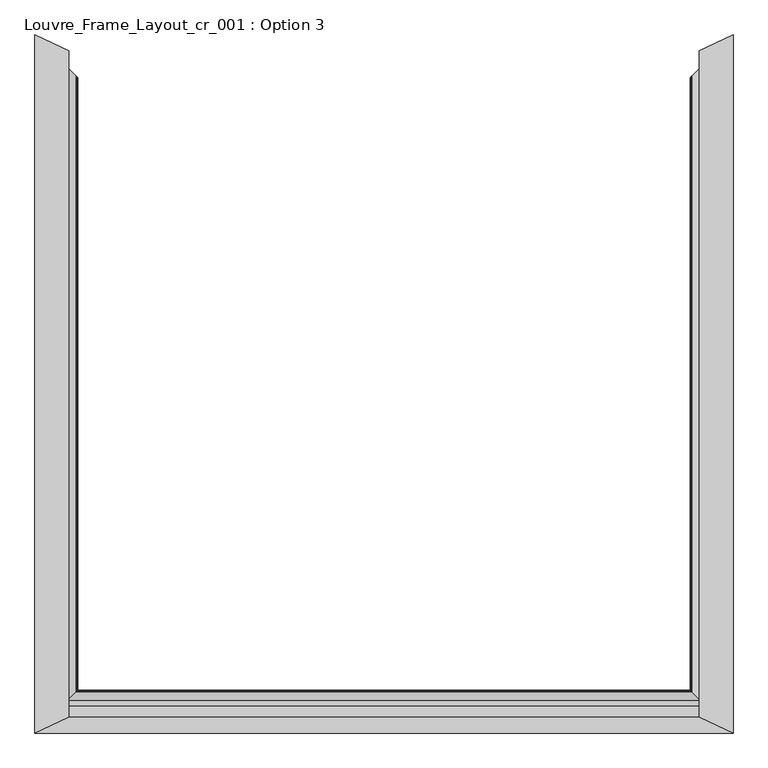
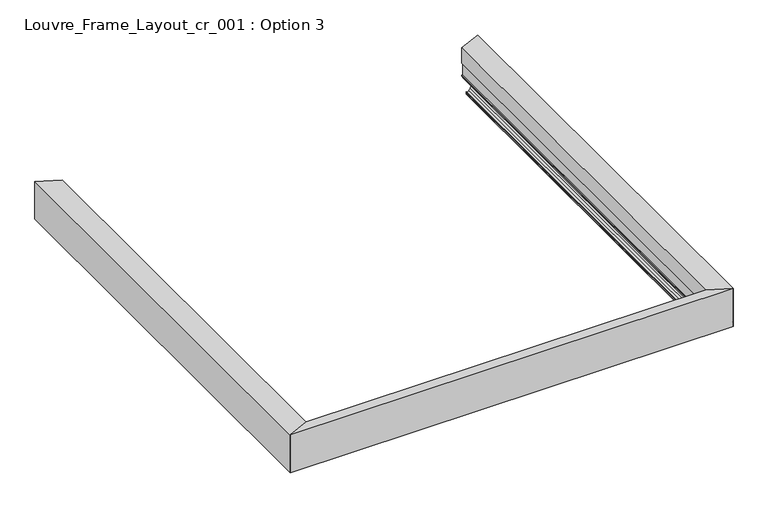
"""IFC4 building model written with IfcOpenShell, lengths in millimetres: proxy geometry, Louvre_Frame_Layout_cr_001 : Option 3."""

import ifcopenshell
import ifcopenshell.guid

model = None  # the IFC model being written
_history = None  # IfcOwnerHistory: only IFC2X3 demands one
_inside = {}  # id of a spatial element -> (the spatial element, [elements in it])
_under = {}  # id of a project, library or spatial element -> (it, [spatial elements below it])
_declared = {}  # id of a project -> (the project, [libraries it declares])
_typed = {}  # id of a type object -> (the type object, [elements of that type])
_made_of = {}  # id of a material, layer set ... -> (it, [elements and type objects made of it])


def new_model(schema):
    """Start an empty IFC model of exactly this schema.

    Asked for "IFC4X3", IfcOpenShell would pick the latest addendum, in which some entities
    have other attributes; the version numbers below select the first issue.
    IFC2X3 requires an IfcOwnerHistory on every rooted entity: one is made here for all.
    """
    global model, _history
    if schema == "IFC4X3":
        model = ifcopenshell.file(schema_version=(4, 3, 0, 0))
    else:
        model = ifcopenshell.file(schema=schema)
    _inside.clear()
    _under.clear()
    _declared.clear()
    _typed.clear()
    _made_of.clear()
    _history = None
    if model.schema == "IFC2X3":
        org = make("IfcOrganization", Name="unknown")
        user = make(
            "IfcPersonAndOrganization",
            ThePerson=make("IfcPerson", FamilyName="unknown"),
            TheOrganization=org,
        )
        app = make(
            "IfcApplication",
            ApplicationDeveloper=org,
            Version="unknown",
            ApplicationFullName="unknown",
            ApplicationIdentifier="unknown",
        )
        _history = make(
            "IfcOwnerHistory",
            OwningUser=user,
            OwningApplication=app,
            ChangeAction="ADDED",
            CreationDate=0,
        )
    return model


def make(cls, **values):
    """One entity of the class cls with the attributes given. An attribute that is None is left unset."""
    return model.create_entity(
        cls, **{name: value for name, value in values.items() if value is not None}
    )


def rooted(cls, **values):
    """An entity with a GlobalId (a new one), such as an element, a storey or a relation."""
    return make(cls, GlobalId=ifcopenshell.guid.new(), OwnerHistory=_history, **values)


def si_unit(unit_type, name, prefix=None):
    """IfcSIUnit, for example si_unit("LENGTHUNIT", "METRE", prefix="MILLI")."""
    return make("IfcSIUnit", UnitType=unit_type, Prefix=prefix, Name=name)


def assignment(units):
    """IfcUnitAssignment: the units of a project."""
    return None if units is None else make("IfcUnitAssignment", Units=units)


def point(xyz):
    """IfcCartesianPoint."""
    return None if xyz is None else make("IfcCartesianPoint", Coordinates=xyz)


def direction(xyz):
    """IfcDirection."""
    return None if xyz is None else make("IfcDirection", DirectionRatios=xyz)


def frame(location, z_axis=None, x_axis=None):
    """IfcAxis2Placement3D, a coordinate frame: its origin and axes. An axis left out is left unset."""
    return make(
        "IfcAxis2Placement3D",
        Location=point(location),
        Axis=direction(z_axis),
        RefDirection=direction(x_axis),
    )


def origin():
    """The frame at (0, 0, 0) with its axes left unset."""
    return frame((0.0, 0.0, 0.0))


def place(relative_to, where):
    """IfcLocalPlacement: puts the frame where relative to a parent placement (None: the world)."""
    return make(
        "IfcLocalPlacement", PlacementRelTo=relative_to, RelativePlacement=where
    )


def context(
    kind, dimensions, precision=None, world=None, true_north=None, identifier=None
):
    """IfcGeometricRepresentationContext, for example the 3D "Model" context."""
    return make(
        "IfcGeometricRepresentationContext",
        ContextIdentifier=identifier,
        ContextType=kind,
        CoordinateSpaceDimension=dimensions,
        Precision=precision,
        WorldCoordinateSystem=world,
        TrueNorth=true_north,
    )


def project(units=None, contexts=None):
    """IfcProject with its units and contexts."""
    return rooted(
        "IfcProject",
        Name="project",
        RepresentationContexts=contexts,
        UnitsInContext=assignment(units),
    )


def spatial(cls, under=None, at=None, **own):
    """A site, building, storey or space (cls), placed at a placement, below another one or the project."""
    s = rooted(cls, ObjectPlacement=at, **own)
    if under is not None:
        _under.setdefault(under.id(), (under, []))[1].append(s)
    return s


def polyline(points):
    """IfcPolyline through the points."""
    return make("IfcPolyline", Points=[point(p) for p in points])


def ellipse_curve(where, semi_axis1, semi_axis2):
    """IfcEllipse in the frame where."""
    return make(
        "IfcEllipse", Position=where, SemiAxis1=semi_axis1, SemiAxis2=semi_axis2
    )


def shape(context_of_items, identifier, shape_type, items):
    """IfcShapeRepresentation: the items that make up one representation, for example the "Body"."""
    return make(
        "IfcShapeRepresentation",
        ContextOfItems=context_of_items,
        RepresentationIdentifier=identifier,
        RepresentationType=shape_type,
        Items=items,
    )


def source(mapping_origin, context_of_items, identifier, shape_type, items):
    """IfcRepresentationMap: a shape defined once, which mapped items show again and again."""
    return make(
        "IfcRepresentationMap",
        MappingOrigin=mapping_origin,
        MappedRepresentation=shape(context_of_items, identifier, shape_type, items),
    )


def transform(
    local_origin,
    x_axis=None,
    y_axis=None,
    z_axis=None,
    scale=None,
    scale2=None,
    scale3=None,
    uniform=True,
):
    """IfcCartesianTransformationOperator3D, or its non-uniform kind. x_axis, y_axis, z_axis: its Axis1, 2, 3."""
    if uniform:
        return make(
            "IfcCartesianTransformationOperator3D",
            Axis1=direction(x_axis),
            Axis2=direction(y_axis),
            LocalOrigin=point(local_origin),
            Scale=scale,
            Axis3=direction(z_axis),
        )
    return make(
        "IfcCartesianTransformationOperator3DnonUniform",
        Axis1=direction(x_axis),
        Axis2=direction(y_axis),
        LocalOrigin=point(local_origin),
        Scale=scale,
        Axis3=direction(z_axis),
        Scale2=scale2,
        Scale3=scale3,
    )


def mapped(mapping_source, mapping_target):
    """IfcMappedItem: shows the shape of a source again, moved by a transform."""
    return make(
        "IfcMappedItem", MappingSource=mapping_source, MappingTarget=mapping_target
    )


def made_of(thing, what):
    """Note that an element or type object is made of a material, layer set ...; save() writes the relation."""
    if what is not None:
        _made_of.setdefault(what.id(), (what, []))[1].append(thing)
    return thing


def element(
    cls,
    number,
    at=None,
    inside=None,
    cuts=None,
    type_object=None,
    material=None,
    context=None,
    identifier="Body",
    shape_type=None,
    held_by="IfcProductDefinitionShape",
    body=None,
    shapes=None,
    **own,
):
    """One element of the class cls, such as IfcWall. Its Tag is "e" and its number.

    at: its placement. inside: the storey or other place that contains it. cuts: it is an
    opening in that element (IfcRelVoidsElement). A single representation is given by context,
    identifier, shape_type and body (its items); several are given by shapes. held_by: the class
    of the entity that holds the representations. save() writes the other relations.
    """
    e = rooted(cls, Tag="e%d" % number, ObjectPlacement=at, **own)
    if body is not None:
        shapes = [shape(context, identifier, shape_type, body)]
    if shapes is not None:
        e.Representation = make(held_by, Representations=shapes)
    if inside is not None:
        _inside.setdefault(inside.id(), (inside, []))[1].append(e)
    if cuts is not None:
        rooted(
            "IfcRelVoidsElement", RelatingBuildingElement=cuts, RelatedOpeningElement=e
        )
    if type_object is not None:
        _typed.setdefault(type_object.id(), (type_object, []))[1].append(e)
    return made_of(e, material)


def aggregate(whole, parts):
    """IfcRelAggregates: a whole, such as a stair, and the parts it consists of."""
    return rooted("IfcRelAggregates", RelatingObject=whole, RelatedObjects=parts)


def save(model, path):
    """Write the relations noted so far, then the file.

    IfcRelAggregates (storeys below a building ...), IfcRelContainedInSpatialStructure (elements
    in a storey), IfcRelDefinesByType, IfcRelAssociatesMaterial and IfcRelDeclares: one each for
    every whole, place, type object, material and project.
    """
    for whole, parts in _under.values():
        aggregate(whole, parts)
    for where, things in _inside.values():
        rooted(
            "IfcRelContainedInSpatialStructure",
            RelatedElements=things,
            RelatingStructure=where,
        )
    for kind, things in _typed.values():
        rooted("IfcRelDefinesByType", RelatedObjects=things, RelatingType=kind)
    for what, things in _made_of.values():
        rooted("IfcRelAssociatesMaterial", RelatedObjects=things, RelatingMaterial=what)
    for by, libraries in _declared.values():
        rooted("IfcRelDeclares", RelatingContext=by, RelatedDefinitions=libraries)
    model.write(path)


def plane_surface(at):
    """IfcPlane: the flat surface through the origin of the frame at, square to its z axis."""
    return make("IfcPlane", Position=at)


def cylinder_surface(at, radius):
    """IfcCylindricalSurface: all points at the distance radius from the z axis of the frame at."""
    return make("IfcCylindricalSurface", Position=at, Radius=radius)


def revolved_surface(curve, axis_point, axis_direction):
    """IfcSurfaceOfRevolution: the curve turned about the line through axis_point along axis_direction."""
    return make(
        "IfcSurfaceOfRevolution",
        SweptCurve=make("IfcArbitraryOpenProfileDef", ProfileType="CURVE", Curve=curve),
        AxisPosition=make("IfcAxis1Placement", Location=point(axis_point), Axis=direction(axis_direction)),
    )


def advanced_brep(points, edges, surfaces, faces):
    """IfcAdvancedBrep: a solid bounded by faces that lie on surfaces and meet in shared edges.

    An edge is (start, end): straight between two places in points (the first is 0);
    or (start, end, curve); or (start, end, curve, False) where it runs against its curve.
    A face is (place in surfaces, loops), or (place, loops, False) where it looks against
    its surface's normal. A loop lists edges by number (the first is 1), with a minus sign
    where the edge is run from its end to its start. The first loop is the outer one.
    """
    corners = [point(p) for p in points]
    vertices = [make("IfcVertexPoint", VertexGeometry=c) for c in corners]
    made = []
    for start, end, *more in edges:
        made.append(
            make(
                "IfcEdgeCurve",
                EdgeStart=vertices[start],
                EdgeEnd=vertices[end],
                EdgeGeometry=more[0] if more else make("IfcPolyline", Points=[corners[start], corners[end]]),
                SameSense=more[1] if len(more) > 1 else True,
            )
        )
    hull = []
    for where, loops, *sense in faces:
        bounds = []
        for j, loop in enumerate(loops):
            ring = [make("IfcOrientedEdge", EdgeElement=made[abs(k) - 1], Orientation=k > 0) for k in loop]
            bounds.append(
                make(
                    "IfcFaceOuterBound" if j == 0 else "IfcFaceBound",
                    Bound=make("IfcEdgeLoop", EdgeList=ring),
                    Orientation=True,
                )
            )
        hull.append(make("IfcAdvancedFace", Bounds=bounds, FaceSurface=surfaces[where], SameSense=sense[0] if sense else True))
    return make("IfcAdvancedBrep", Outer=make("IfcClosedShell", CfsFaces=hull))


def louvre_frame_layout_cr_001_option_3_b5c56db8(model_context):
    return source(origin(), model_context, "Body", "AdvancedBrep", [
        advanced_brep(
        [(3500.0, -1860.0, 40.0285881), (3354.7049082, -1714.7471297, 40.0285881), (3357.499356, -1717.5407655, 38.8575344), (3435.6421077, -1795.6608096, 38.8575344), (3437.2798539, -1797.2980799, 37.2197882), (3437.2798539, -1797.2980799, 30.0771301), (3448.0054103, -1808.0205195, 30.0771301), (3448.0054103, -1808.0205195, 7.0067374), (3443.0005687, -1803.0171323, 2.0018958), (3364.8199959, -1724.8592781, 2.0018958), (3336.794989, -1696.842415, 7.4266447), (3291.7291256, -1651.7896474, 25.5580129), (3291.7291256, -1651.7896474, 39.3616238), (3291.0621612, -1651.1228768, 40.0285881), (3285.4888339, -1645.5511691, 40.0285881), (3284.8218695, -1644.8843985, 39.3616238), (3284.8218695, -1644.8843985, 26.5150991), (3285.3886853, -1645.4510496, 25.9589183), (3349.8942843, -1709.9379038, 0.0), (3500.0, -1860.0, 0.0), (3500.0, -1860.0, 36.793065), (3354.7049082, 1494.7471297, 40.0285881), (3500.0, 1640.0, 40.0285881), (3500.0, 1640.0, 36.793065), (3500.0, 1640.0, 0.0), (3349.8942843, 1489.9379038, 0.0), (3285.3886853, 1425.4510496, 25.9589183), (3284.8218695, 1424.8843985, 26.5150991), (3284.8218695, 1424.8843985, 39.3616238), (3285.4888339, 1425.5511691, 40.0285881), (3291.0621612, 1431.1228768, 40.0285881), (3291.7291256, 1431.7896474, 39.3616238), (3291.7291256, 1431.7896474, 25.5580129), (3336.794989, 1476.842415, 7.4266447), (3364.8199959, 1504.8592781, 2.0018958), (3443.0005687, 1583.0171323, 2.0018958), (3448.0054103, 1588.0205195, 7.0067374), (3448.0054103, 1588.0205195, 30.0771301), (3437.2798539, 1577.2980799, 30.0771301), (3437.2798539, 1577.2980799, 37.2197882), (3435.6421077, 1575.6608096, 38.8575344), (3357.499356, 1497.5407655, 38.8575344), (3330.2950263, 1560.0512704, 186.2985422), (3330.2950263, 1560.0512704, 315.1230176), (3500.0, 1640.0, 315.1230176), (3354.7049082, 1571.5508688, 40.0285881), (3352.0673551, 1570.3083064, 42.7736155), (3330.3018549, 1560.0544873, 79.2796958), (3330.3018549, 1560.0544873, 88.3970766), (3336.7193678, 1563.0778048, 88.3970766), (3336.7193678, 1563.0778048, 186.2985422), (3354.7049082, -1791.5508688, 40.0285881), (3330.2950263, -1780.0512704, 186.2985422), (3330.2950263, -1780.0512704, 315.1230176), (3336.7193678, -1783.0778048, 186.2985422), (3336.7193678, -1783.0778048, 88.3970766), (3330.3018549, -1780.0544873, 88.3970766), (3330.3018549, -1780.0544873, 79.2796958), (3352.0673551, -1790.3083064, 42.7736155), (3500.0, -1860.0, 315.1230176)],
        [
            (0, 1),
            (1, 2, ellipse_curve(frame((3359.3065931, -1719.3474774, 47.0897633), z_axis=(-0.70700401906678, -0.7072095283743144, 0.0), x_axis=(0.7072095283743143, -0.70700401906678, 0.0)), 11.917639, 8.4282679)),
            (2, 3),
            (3, 4, ellipse_curve(frame((3435.6421077, -1795.6608096, 37.2197882), z_axis=(0.70700401906678, 0.7072095283743144, 0.0), x_axis=(-0.7072095283743143, 0.70700401906678, 0.0)), 2.3157864, 1.6377462)),
            (4, 5),
            (5, 6),
            (6, 7),
            (7, 8, ellipse_curve(frame((3443.0005687, -1803.0171323, 7.0067374), z_axis=(0.70700401906678, 0.7072095283743144, 0.0), x_axis=(-0.7072095283743143, 0.70700401906678, 0.0)), 7.0768866, 5.0048416)),
            (8, 9),
            (9, 10, ellipse_curve(frame((3364.8119854, -1724.85127, 77.0634267), z_axis=(0.70700401906678, 0.7072095283743144, 0.0), x_axis=(-0.7072095283743143, 0.70700401906678, 0.0)), 106.1376132, 75.0615314)),
            (10, 11),
            (11, 12),
            (12, 13, ellipse_curve(frame((3291.0621612, -1651.1228768, 39.3616238), z_axis=(-0.70700401906678, -0.7072095283743144, 0.0), x_axis=(0.7072095283743143, -0.70700401906678, 0.0)), 0.943093, 0.6669644)),
            (13, 14),
            (14, 15, ellipse_curve(frame((3285.4888339, -1645.5511691, 39.3616238), z_axis=(-0.70700401906678, -0.7072095283743144, 0.0), x_axis=(0.7072095283743143, -0.70700401906678, 0.0)), 0.943093, 0.6669644)),
            (15, 16),
            (16, 17, ellipse_curve(frame((3285.7754513, -1645.8377032, 26.9199973), z_axis=(-0.70700401906678, -0.7072095283743144, 0.0), x_axis=(0.7072095283743143, -0.70700401906678, 0.0)), 1.4648884, 1.035983)),
            (17, 18),
            (18, 19),
            (19, 20),
            (20, 0),
            (21, 22),
            (22, 23),
            (23, 24),
            (24, 25),
            (25, 26),
            (26, 27, ellipse_curve(frame((3285.7754513, 1425.8377032, 26.9199973), z_axis=(-0.7070040190647345, 0.7072095283763594, 0.0), x_axis=(-0.7072095283763595, -0.7070040190647343, 0.0)), 1.4648884, 1.035983)),
            (27, 28),
            (28, 29, ellipse_curve(frame((3285.4888339, 1425.5511691, 39.3616238), z_axis=(-0.7070040190647345, 0.7072095283763594, 0.0), x_axis=(-0.7072095283763595, -0.7070040190647343, 0.0)), 0.943093, 0.6669644)),
            (29, 30),
            (30, 31, ellipse_curve(frame((3291.0621612, 1431.1228768, 39.3616238), z_axis=(-0.7070040190647345, 0.7072095283763594, 0.0), x_axis=(-0.7072095283763595, -0.7070040190647343, 0.0)), 0.943093, 0.6669644)),
            (31, 32),
            (32, 33),
            (33, 34, ellipse_curve(frame((3364.8119854, 1504.85127, 77.0634267), z_axis=(0.7070040190647345, -0.7072095283763594, 0.0), x_axis=(0.7072095283763595, 0.7070040190647343, 0.0)), 106.1376132, 75.0615314)),
            (34, 35),
            (35, 36, ellipse_curve(frame((3443.0005687, 1583.0171323, 7.0067374), z_axis=(0.7070040190647345, -0.7072095283763594, 0.0), x_axis=(0.7072095283763595, 0.7070040190647343, 0.0)), 7.0768866, 5.0048416)),
            (36, 37),
            (37, 38),
            (38, 39),
            (39, 40, ellipse_curve(frame((3435.6421077, 1575.6608096, 37.2197882), z_axis=(0.7070040190647345, -0.7072095283763594, 0.0), x_axis=(0.7072095283763595, 0.7070040190647343, 0.0)), 2.3157864, 1.6377462)),
            (40, 41),
            (41, 21, ellipse_curve(frame((3359.3065931, 1499.3474775, 47.0897633), z_axis=(-0.7070040190647345, 0.7072095283763594, 0.0), x_axis=(-0.7072095283763595, -0.7070040190647343, 0.0)), 11.917639, 8.4282679)),
            (42, 43),
            (43, 44),
            (44, 22),
            (22, 45),
            (45, 46, ellipse_curve(frame((3359.3065931, 1573.718742, 47.0897633), z_axis=(-0.4261791510910806, 0.9046387849165467, 0.0), x_axis=(-0.9046387849165468, -0.42617915109108023, 0.0)), 9.3167218, 8.4282679)),
            (46, 47),
            (47, 48),
            (48, 49),
            (49, 50),
            (50, 42),
            (0, 51),
            (51, 1),
            (21, 45),
            (42, 52),
            (52, 53),
            (53, 43),
            (50, 54),
            (54, 52),
            (49, 55),
            (55, 54),
            (48, 56),
            (56, 55),
            (47, 57),
            (57, 56),
            (46, 58),
            (58, 57),
            (51, 58, ellipse_curve(frame((3359.3065931, -1793.718742, 47.0897633), z_axis=(0.42617915109110965, 0.9046387849165329, 0.0), x_axis=(0.9046387849165329, -0.4261791510911096, 0.0)), 9.3167218, 8.4282679)),
            (41, 2),
            (40, 3),
            (39, 4),
            (38, 5),
            (37, 6),
            (36, 7),
            (35, 8),
            (34, 9),
            (33, 10),
            (32, 11),
            (31, 12),
            (30, 13),
            (29, 14),
            (28, 15),
            (27, 16),
            (26, 17),
            (25, 18),
            (24, 19),
            (44, 59),
            (59, 0),
            (53, 59),
        ],
        [
            plane_surface(frame((3500.0, -1860.0, 40.0285881), z_axis=(-0.70700401906678, -0.7072095283743144, 0.0), x_axis=(0.0, 0.0, -1.0))),
            plane_surface(frame((3241.9060249, 1381.9810249, 40.0285881), z_axis=(-0.7070040190647345, 0.7072095283763594, 0.0), x_axis=(0.0, 0.0, -1.0))),
            plane_surface(frame((3330.2950263, 1560.0512704, 355.5911694), z_axis=(-0.4261791510910806, 0.9046387849165467, 0.0), x_axis=(0.0, 0.0, -1.0))),
            plane_surface(frame((3241.9060249, -1601.9810249, 40.0285881), z_axis=(0.0, 0.0, -1.0), x_axis=(0.0, -1.0, 0.0))),
            plane_surface(frame((3500.0, 1640.0, 40.0285881), z_axis=(0.0, 0.0, -1.0000000000000002), x_axis=(0.7072095283763594, 0.7070040190647345, 0.0))),
            plane_surface(frame((3330.2950263, -1860.0, 315.1230176), z_axis=(-1.0, 0.0, 0.0), x_axis=(0.0, 1.0, 0.0))),
            plane_surface(frame((3330.2950263, -1860.0, 186.2985422), z_axis=(0.0, 0.0, -1.0), x_axis=(0.0, 1.0, 0.0))),
            plane_surface(frame((3336.7193678, -1860.0, 186.2985422), z_axis=(-1.0, 0.0, 0.0), x_axis=(0.0, 1.0, 0.0))),
            plane_surface(frame((3336.7193678, -1860.0, 88.3970766), z_axis=(0.0, 0.0, 1.0), x_axis=(0.0, 1.0, 0.0))),
            plane_surface(frame((3330.3018549, -1860.0, 88.3970766), z_axis=(-1.0, 0.0, 0.0), x_axis=(0.0, 1.0, 0.0))),
            plane_surface(frame((3330.3018549, -1860.0, 79.2796958), z_axis=(-0.8589235852565517, 0.0, -0.5121037733604697), x_axis=(0.0, 1.0, 0.0))),
            cylinder_surface(frame((3359.3065931, -1860.0, 47.0897633), z_axis=(0.0, -1.0, 0.0), x_axis=(-1.0, 0.0, 0.0)), 8.4282679),
            plane_surface(frame((3357.499356, -1860.0, 38.8575344), z_axis=(0.0, 0.0, -1.0), x_axis=(0.0, 1.0, 0.0))),
            revolved_surface(polyline([(3434.0043615, 1577.2980798999997, 37.2197882), (3434.0043615, -1797.2980799, 37.2197882)]), (3435.6421077, -1860.0, 37.2197882), (0.0, 1.0, 0.0)),
            plane_surface(frame((3437.2798539, -1860.0, 37.2197882), z_axis=(-1.0, 0.0, 0.0), x_axis=(0.0, 1.0, 0.0))),
            plane_surface(frame((3437.2798539, -1860.0, 30.0771301), z_axis=(0.0, 0.0, -1.0), x_axis=(0.0, 1.0, 0.0))),
            plane_surface(frame((3448.0054103, -1860.0, 30.0771301), z_axis=(-1.0, 0.0, 0.0), x_axis=(0.0, 1.0, 0.0))),
            revolved_surface(polyline([(3437.9957271, 1588.0205195686653, 7.0067374), (3437.9957271, -1808.02051956868, 7.0067374)]), (3443.0005687, -1860.0, 7.0067374), (0.0, 1.0, 0.0)),
            plane_surface(frame((3443.0005687, -1860.0, 2.0018958), z_axis=(0.0, 0.0, 1.0), x_axis=(0.0, 1.0, 0.0))),
            revolved_surface(polyline([(3289.750454, 1579.890989106338, 77.0634267), (3289.750454, -1799.8909891065555, 77.0634267)]), (3364.8119854, -1860.0, 77.0634267), (0.0, 1.0, 0.0)),
            plane_surface(frame((3336.794989, -1860.0, 7.4266447), z_axis=(0.37325372835204107, 0.0, 0.9277293001039154), x_axis=(0.0, 1.0, 0.0))),
            plane_surface(frame((3291.7291256, -1860.0, 25.5580129), z_axis=(1.0, 0.0, 0.0), x_axis=(0.0, 1.0, 0.0))),
            cylinder_surface(frame((3291.0621612, -1860.0, 39.3616238), z_axis=(0.0, -1.0, 0.0), x_axis=(-1.0, 0.0, 0.0)), 0.6669644),
            plane_surface(frame((3291.0621612, -1860.0, 40.0285881), z_axis=(0.0, 0.0, 1.0), x_axis=(0.0, 1.0, 0.0))),
            cylinder_surface(frame((3285.4888339, -1860.0, 39.3616238), z_axis=(0.0, -1.0, 0.0), x_axis=(1.0, 0.0, 0.0)), 0.6669644),
            plane_surface(frame((3284.8218695, -1860.0, 39.3616238), z_axis=(-1.0, 0.0, 0.0), x_axis=(0.0, 1.0, 0.0))),
            cylinder_surface(frame((3285.7754513, -1860.0, 26.9199973), z_axis=(0.0, -1.0, 0.0), x_axis=(-1.0, 0.0, 0.0)), 1.035983),
            plane_surface(frame((3285.3886853, -1860.0, 25.9589183), z_axis=(-0.3733323631651337, 0.0, -0.9276976590536039), x_axis=(0.0, 1.0, 0.0))),
            plane_surface(frame((3349.8942843, -1860.0, 0.0), z_axis=(0.0, 0.0, -1.0), x_axis=(0.0, 1.0, 0.0))),
            plane_surface(frame((3500.0, -1860.0, 0.0), z_axis=(1.0, 0.0, 0.0), x_axis=(0.0, 1.0, 0.0))),
            plane_surface(frame((3500.0, -1860.0, 315.1230176), z_axis=(0.0, 0.0, 1.0), x_axis=(0.0, 1.0, 0.0))),
            plane_surface(frame((3500.0, -1860.0, 355.5911694), z_axis=(-0.42617915109110965, -0.9046387849165329, 0.0), x_axis=(0.0, 0.0, -1.0))),
        ],
        [
            (0, [[1, 2, 3, 4, 5, 6, 7, 8, 9, 10, 11, 12, 13, 14, 15, 16, 17, 18, 19, 20, 21]]),
            (1, [[22, 23, 24, 25, 26, 27, 28, 29, 30, 31, 32, 33, 34, 35, 36, 37, 38, 39, 40, 41, 42]]),
            (2, [[43, 44, 45, 46, 47, 48, 49, 50, 51, 52]]),
            (3, [[-1, 53, 54]]),
            (4, [[-22, 55, -46]]),
            (5, [[-43, 56, 57, 58]]),
            (6, [[-52, 59, 60, -56]]),
            (7, [[-51, 61, 62, -59]]),
            (8, [[-50, 63, 64, -61]]),
            (9, [[-49, 65, 66, -63]]),
            (10, [[-48, 67, 68, -65]]),
            (11, [[-2, -54, 69, -67, -47, -55, -42, 70]]),
            (12, [[-3, -70, -41, 71]]),
            (13, [[-4, -71, -40, 72]]),
            (14, [[-5, -72, -39, 73]]),
            (15, [[-6, -73, -38, 74]]),
            (16, [[-7, -74, -37, 75]]),
            (17, [[-8, -75, -36, 76]]),
            (18, [[-9, -76, -35, 77]]),
            (19, [[-10, -77, -34, 78]]),
            (20, [[-11, -78, -33, 79]]),
            (21, [[-12, -79, -32, 80]]),
            (22, [[-13, -80, -31, 81]]),
            (23, [[-14, -81, -30, 82]]),
            (24, [[-15, -82, -29, 83]]),
            (25, [[-16, -83, -28, 84]]),
            (26, [[-17, -84, -27, 85]]),
            (27, [[-18, -85, -26, 86]]),
            (28, [[87, -19, -86, -25]]),
            (29, [[-87, -24, -23, -45, 88, 89, -21, -20]]),
            (30, [[-88, -44, -58, 90]]),
            (31, [[-57, -60, -62, -64, -66, -68, -69, -53, -89, -90]]),
        ],
    ),
        advanced_brep(
        [(57.3003291, -1802.6996709, 38.7959832), (55.2974109, -1804.7025891, 36.793065), (52.5783381, -1807.4216619, 36.793065), (51.9945897, -1808.0054103, 36.2093165), (51.9945897, -1808.0054103, 7.0067374), (56.9994313, -1803.0005687, 2.0018958), (135.1800041, -1724.8199959, 2.0018958), (163.205011, -1696.794989, 7.4266447), (208.2708744, -1651.7291256, 25.5580129), (208.2708744, -1651.7291256, 39.3616238), (208.9378388, -1651.0621612, 40.0285881), (214.5111661, -1645.4888339, 40.0285881), (215.1781305, -1644.8218695, 39.3616238), (215.1781305, -1644.8218695, 26.1870213), (150.1057157, -1709.8942843, 0.0), (0.0, -1860.0, 0.0), (0.0, -1860.0, 38.8575344), (3444.7025891, -1804.7025891, 36.793065), (3442.6996709, -1802.6996709, 38.7959832), (3500.0, -1860.0, 38.8575344), (3500.0, -1860.0, 0.0), (3349.8942843, -1709.8942843, 0.0), (3284.8218695, -1644.8218695, 26.1870213), (3284.8218695, -1644.8218695, 39.3616238), (3285.4888339, -1645.4888339, 40.0285881), (3291.0621612, -1651.0621612, 40.0285881), (3291.7291256, -1651.7291256, 39.3616238), (3291.7291256, -1651.7291256, 25.5580129), (3336.794989, -1696.794989, 7.4266447), (3364.8199959, -1724.8199959, 2.0018958), (3443.0005687, -1803.0005687, 2.0018958), (3448.0054103, -1808.0054103, 7.0067374), (3448.0054103, -1808.0054103, 36.2093165), (3447.4216619, -1807.4216619, 36.793065), (3330.2950263, -1780.0512704, 316.6276048), (3330.2950263, -1780.0512704, 186.7535382), (169.7049737, -1780.0512704, 186.7535382), (169.7049737, -1780.0512704, 316.6276048), (3389.6325118, -1808.0054103, 186.7535382), (110.3674882, -1808.0054103, 186.7535382), (3389.6325118, -1808.0054103, 66.9467725), (110.3674882, -1808.0054103, 66.9467725), (3388.3114217, -1807.3830392, 66.3244014), (111.6885783, -1807.3830392, 66.3244014), (3382.6221378, -1804.7027935, 66.3244014), (117.3778622, -1804.7027935, 66.3244014), (3378.3701643, -1802.6996709, 64.3212787), (121.6298357, -1802.6996709, 64.3212787), (3378.3701643, -1802.6996709, 38.7959832), (121.6298357, -1802.6996709, 38.7959832), (3500.0, -1860.0, 40.0285881), (3500.0, -1860.0, 316.6276048), (0.0, -1860.0, 316.6276048), (0.0, -1860.0, 40.0285881)],
        [
            (0, 1, ellipse_curve(frame((55.2974109, -1804.7025891, 38.7959832), z_axis=(-0.7071067811864462, 0.7071067811866489, 0.0), x_axis=(-0.7071067811866488, -0.7071067811864462, 0.0)), 2.832554, 2.0029182)),
            (1, 2),
            (2, 3, ellipse_curve(frame((52.5783381, -1807.4216619, 36.2093165), z_axis=(0.7071067811864462, -0.7071067811866489, 0.0), x_axis=(0.7071067811866488, 0.7071067811864462, 0.0)), 0.825545, 0.5837485)),
            (3, 4),
            (4, 5, ellipse_curve(frame((56.9994313, -1803.0005687, 7.0067374), z_axis=(0.7071067811864462, -0.7071067811866489, 0.0), x_axis=(0.7071067811866488, 0.7071067811864462, 0.0)), 7.0779149, 5.0048416)),
            (5, 6),
            (6, 7, ellipse_curve(frame((135.1880146, -1724.8119854, 77.0634267), z_axis=(0.7071067811864462, -0.7071067811866489, 0.0), x_axis=(0.7071067811866488, 0.7071067811864462, 0.0)), 106.1530357, 75.0615314)),
            (7, 8),
            (8, 9),
            (9, 10, ellipse_curve(frame((208.9378388, -1651.0621612, 39.3616238), z_axis=(-0.7071067811864462, 0.7071067811866489, 0.0), x_axis=(-0.7071067811866488, -0.7071067811864462, 0.0)), 0.94323, 0.6669644)),
            (10, 11),
            (11, 12, ellipse_curve(frame((214.5111661, -1645.4888339, 39.3616238), z_axis=(-0.7071067811864462, 0.7071067811866489, 0.0), x_axis=(-0.7071067811866488, -0.7071067811864462, 0.0)), 0.94323, 0.6669644)),
            (12, 13),
            (13, 14),
            (14, 15),
            (15, 16),
            (16, 0),
            (17, 18, ellipse_curve(frame((3444.7025891, -1804.7025891, 38.7959832), z_axis=(0.7071067811866589, 0.7071067811864362, 0.0), x_axis=(-0.7071067811864361, 0.707106781186659, 0.0)), 2.832554, 2.0029182)),
            (18, 19),
            (19, 20),
            (20, 21),
            (21, 22),
            (22, 23),
            (23, 24, ellipse_curve(frame((3285.4888339, -1645.4888339, 39.3616238), z_axis=(0.7071067811866589, 0.7071067811864362, 0.0), x_axis=(-0.7071067811864361, 0.707106781186659, 0.0)), 0.94323, 0.6669644)),
            (24, 25),
            (25, 26, ellipse_curve(frame((3291.0621612, -1651.0621612, 39.3616238), z_axis=(0.7071067811866589, 0.7071067811864362, 0.0), x_axis=(-0.7071067811864361, 0.707106781186659, 0.0)), 0.94323, 0.6669644)),
            (26, 27),
            (27, 28),
            (28, 29, ellipse_curve(frame((3364.8119854, -1724.8119854, 77.0634267), z_axis=(-0.7071067811866589, -0.7071067811864362, 0.0), x_axis=(0.7071067811864361, -0.707106781186659, 0.0)), 106.1530357, 75.0615314)),
            (29, 30),
            (30, 31, ellipse_curve(frame((3443.0005687, -1803.0005687, 7.0067374), z_axis=(-0.7071067811866589, -0.7071067811864362, 0.0), x_axis=(0.7071067811864361, -0.707106781186659, 0.0)), 7.0779149, 5.0048416)),
            (31, 32),
            (32, 33, ellipse_curve(frame((3447.4216619, -1807.4216619, 36.2093165), z_axis=(-0.7071067811866589, -0.7071067811864362, 0.0), x_axis=(0.7071067811864361, -0.707106781186659, 0.0)), 0.825545, 0.5837485)),
            (33, 17),
            (34, 35),
            (35, 36),
            (36, 37),
            (37, 34),
            (35, 38),
            (38, 39),
            (39, 36),
            (38, 40),
            (40, 41),
            (41, 39),
            (40, 42, ellipse_curve(frame((3388.3114217, -1807.3830392, 66.9467725), z_axis=(0.42617915109109655, 0.9046387849165392, 0.0), x_axis=(0.9046387849165392, -0.4261791510910966, 0.0)), 1.460351, 0.6223711)),
            (42, 43),
            (43, 41, ellipse_curve(frame((111.6885783, -1807.3830392, 66.9467725), z_axis=(-0.42617915109134613, 0.9046387849164216, 0.0), x_axis=(0.9046387849164216, 0.4261791510913462, 0.0)), 1.460351, 0.6223711)),
            (42, 44),
            (44, 45),
            (45, 43),
            (44, 46, ellipse_curve(frame((3382.6221378, -1804.7027935, 64.3212787), z_axis=(-0.42617915109109655, -0.9046387849165392, 0.0), x_axis=(-0.9046387849165392, 0.4261791510910966, 0.0)), 4.7001892, 2.0031227)),
            (46, 47),
            (47, 45, ellipse_curve(frame((117.3778622, -1804.7027935, 64.3212787), z_axis=(0.42617915109134613, -0.9046387849164216, 0.0), x_axis=(-0.9046387849164216, -0.4261791510913462, 0.0)), 4.7001892, 2.0031227)),
            (46, 48),
            (48, 49),
            (49, 47),
            (0, 49),
            (48, 18),
            (17, 1),
            (33, 2),
            (32, 3),
            (31, 4),
            (30, 5),
            (29, 6),
            (28, 7),
            (27, 8),
            (26, 9),
            (25, 10),
            (24, 11),
            (23, 12),
            (22, 13),
            (21, 14),
            (20, 15),
            (19, 50),
            (50, 51),
            (51, 52),
            (52, 53),
            (53, 16),
            (51, 34),
            (37, 52),
            (48, 19),
            (16, 49),
        ],
        [
            plane_surface(frame((0.0, -1860.0, 40.0285881), z_axis=(-0.7071067811864462, 0.7071067811866489, 0.0), x_axis=(0.0, 0.0, -1.0))),
            plane_surface(frame((3241.9060249, -1601.9060249, 40.0285881), z_axis=(0.7071067811866589, 0.7071067811864362, 0.0), x_axis=(0.0, 0.0, -1.0))),
            plane_surface(frame((0.0, -1780.0512704, 316.6276048), z_axis=(0.0, 1.0, 0.0), x_axis=(1.0, 0.0, 0.0))),
            plane_surface(frame((0.0, -1780.0512704, 186.7535382), z_axis=(0.0, 0.0, -1.0), x_axis=(1.0, 0.0, 0.0))),
            plane_surface(frame((0.0, -1808.0054103, 186.7535382), z_axis=(0.0, 1.0, 0.0), x_axis=(1.0, 0.0, 0.0))),
            revolved_surface(polyline([(3389.6325118541918, -1806.7606681, 66.9467725), (110.36748814580852, -1806.7606681, 66.9467725)]), (0.0, -1807.3830392, 66.9467725), (1.0, 0.0, 0.0)),
            plane_surface(frame((0.0, -1807.3830392, 66.3244014), z_axis=(0.0, 0.0, 1.0), x_axis=(1.0, 0.0, 0.0))),
            cylinder_surface(frame((0.0, -1804.7027935, 64.3212787), z_axis=(-1.0, 0.0, 0.0), x_axis=(0.0, 1.0, 0.0)), 2.0031227),
            plane_surface(frame((0.0, -1802.6996709, 64.3212787), z_axis=(0.0, 1.0, 0.0), x_axis=(1.0, 0.0, 0.0))),
            cylinder_surface(frame((0.0, -1804.7025891, 38.7959832), z_axis=(-1.0, 0.0, 0.0), x_axis=(0.0, 1.0, 0.0)), 2.0029182),
            plane_surface(frame((0.0, -1804.7025891, 36.793065), z_axis=(0.0, 0.0, -1.0), x_axis=(1.0, 0.0, 0.0))),
            revolved_surface(polyline([(3448.0054103676744, -1806.8379134, 36.2093165), (51.99458963232527, -1806.8379134, 36.2093165)]), (0.0, -1807.4216619, 36.2093165), (1.0, 0.0, 0.0)),
            plane_surface(frame((0.0, -1808.0054103, 36.2093165), z_axis=(0.0, 1.0, 0.0), x_axis=(1.0, 0.0, 0.0))),
            revolved_surface(polyline([(3448.00541032245, -1797.9957271, 7.0067374), (51.99458967754798, -1797.9957271, 7.0067374)]), (0.0, -1803.0005687, 7.0067374), (1.0, 0.0, 0.0)),
            plane_surface(frame((0.0, -1803.0005687, 2.0018958), z_axis=(0.0, 0.0, 1.0), x_axis=(1.0, 0.0, 0.0))),
            revolved_surface(polyline([(3439.873516786996, -1649.750454, 77.0634267), (60.12648321298158, -1649.750454, 77.0634267)]), (0.0, -1724.8119854, 77.0634267), (1.0, 0.0, 0.0)),
            plane_surface(frame((0.0, -1696.794989, 7.4266447), z_axis=(0.0, -0.37325372835204085, 0.9277293001039155), x_axis=(1.0, 0.0, 0.0))),
            plane_surface(frame((0.0, -1651.7291256, 25.5580129), z_axis=(0.0, -1.0, 0.0), x_axis=(1.0, 0.0, 0.0))),
            cylinder_surface(frame((0.0, -1651.0621612, 39.3616238), z_axis=(-1.0, 0.0, 0.0), x_axis=(0.0, 1.0, 0.0)), 0.6669644),
            plane_surface(frame((0.0, -1651.0621612, 40.0285881), z_axis=(0.0, 0.0, 1.0), x_axis=(1.0, 0.0, 0.0))),
            cylinder_surface(frame((0.0, -1645.4888339, 39.3616238), z_axis=(-1.0, 0.0, 0.0), x_axis=(0.0, -1.0, 0.0)), 0.6669644),
            plane_surface(frame((0.0, -1644.8218695, 39.3616238), z_axis=(0.0, 1.0, 0.0), x_axis=(1.0, 0.0, 0.0))),
            plane_surface(frame((0.0, -1644.8218695, 26.1870213), z_axis=(0.0, 0.3733323631651337, -0.927697659053604), x_axis=(1.0, 0.0, 0.0))),
            plane_surface(frame((0.0, -1709.8942843, 0.0), z_axis=(0.0, 0.0, -1.0), x_axis=(1.0, 0.0, 0.0))),
            plane_surface(frame((0.0, -1860.0, 0.0), z_axis=(0.0, -1.0, 0.0), x_axis=(1.0, 0.0, 0.0))),
            plane_surface(frame((0.0, -1860.0, 316.6276048), z_axis=(0.0, 0.0, 1.0), x_axis=(1.0, 0.0, 0.0))),
            plane_surface(frame((3500.0, -1860.0, 38.8575344), z_axis=(0.0, 0.0, 1.0), x_axis=(-0.9046387849165392, 0.42617915109109655, 0.0))),
            plane_surface(frame((3330.2950263, -1780.0512704, 398.4370867), z_axis=(0.42617915109109655, 0.9046387849165392, 0.0), x_axis=(0.0, 0.0, -1.0))),
            plane_surface(frame((0.0, -1780.0512704, 38.8575344), z_axis=(0.0, 0.0, 1.0), x_axis=(1.0, 0.0, 0.0))),
            plane_surface(frame((0.0, -1860.0, 398.4370867), z_axis=(-0.42617915109134613, 0.9046387849164216, 0.0), x_axis=(0.0, 0.0, -1.0))),
        ],
        [
            (0, [[1, 2, 3, 4, 5, 6, 7, 8, 9, 10, 11, 12, 13, 14, 15, 16, 17]]),
            (1, [[18, 19, 20, 21, 22, 23, 24, 25, 26, 27, 28, 29, 30, 31, 32, 33, 34]]),
            (2, [[35, 36, 37, 38]]),
            (3, [[39, 40, 41, -36]]),
            (4, [[42, 43, 44, -40]]),
            (5, [[45, 46, 47, -43]]),
            (6, [[48, 49, 50, -46]]),
            (7, [[51, 52, 53, -49]]),
            (8, [[54, 55, 56, -52]]),
            (9, [[-1, 57, -55, 58, -18, 59]]),
            (10, [[-2, -59, -34, 60]]),
            (11, [[-3, -60, -33, 61]]),
            (12, [[-4, -61, -32, 62]]),
            (13, [[-5, -62, -31, 63]]),
            (14, [[-6, -63, -30, 64]]),
            (15, [[-7, -64, -29, 65]]),
            (16, [[-8, -65, -28, 66]]),
            (17, [[-9, -66, -27, 67]]),
            (18, [[-10, -67, -26, 68]]),
            (19, [[-11, -68, -25, 69]]),
            (20, [[-12, -69, -24, 70]]),
            (21, [[-13, -70, -23, 71]]),
            (22, [[-14, -71, -22, 72]]),
            (23, [[73, -15, -72, -21]]),
            (24, [[-73, -20, 74, 75, 76, 77, 78, -16]]),
            (25, [[-76, 79, -38, 80]]),
            (26, [[81, -19, -58]]),
            (27, [[-81, -54, -51, -48, -45, -42, -39, -35, -79, -75, -74]]),
            (28, [[82, -57, -17]]),
            (29, [[-82, -78, -77, -80, -37, -41, -44, -47, -50, -53, -56]]),
        ],
    ),
        advanced_brep(
        [(145.2950918, -1714.7049082, 40.0285881), (0.0, -1860.0, 40.0285881), (0.0, -1860.0, 36.793065), (0.0, -1860.0, 0.0), (150.1057157, -1709.8942843, 0.0), (214.6113147, -1645.3886853, 25.9589183), (215.1781305, -1644.8218695, 26.5150991), (215.1781305, -1644.8218695, 39.3616238), (214.5111661, -1645.4888339, 40.0285881), (208.9378388, -1651.0621612, 40.0285881), (208.2708744, -1651.7291256, 39.3616238), (208.2708744, -1651.7291256, 25.5580129), (163.205011, -1696.794989, 7.4266447), (135.1800041, -1724.8199959, 2.0018958), (56.9994313, -1803.0005687, 2.0018958), (51.9945897, -1808.0054103, 7.0067374), (51.9945897, -1808.0054103, 30.0771301), (62.7201461, -1797.2798539, 30.0771301), (62.7201461, -1797.2798539, 37.2197882), (64.3578923, -1795.6421077, 38.8575344), (142.500644, -1717.499356, 38.8575344), (0.0, 1640.0, 40.0285881), (145.2950918, 1494.7471297, 40.0285881), (142.500644, 1497.5407655, 38.8575344), (64.3578923, 1575.6608096, 38.8575344), (62.7201461, 1577.2980799, 37.2197882), (62.7201461, 1577.2980799, 30.0771301), (51.9945897, 1588.0205195, 30.0771301), (51.9945897, 1588.0205195, 7.0067374), (56.9994313, 1583.0171323, 2.0018958), (135.1800041, 1504.8592781, 2.0018958), (163.205011, 1476.842415, 7.4266447), (208.2708744, 1431.7896474, 25.5580129), (208.2708744, 1431.7896474, 39.3616238), (208.9378388, 1431.1228768, 40.0285881), (214.5111661, 1425.5511691, 40.0285881), (215.1781305, 1424.8843985, 39.3616238), (215.1781305, 1424.8843985, 26.5150991), (214.6113147, 1425.4510496, 25.9589183), (150.1057157, 1489.9379038, 0.0), (0.0, 1640.0, 0.0), (0.0, 1640.0, 36.793065), (145.2950918, -1791.5508688, 40.0285881), (145.2950918, 1571.5508688, 40.0285881), (0.0, 1640.0, 315.1230176), (0.0, -1860.0, 315.1230176), (169.7049737, -1780.0512704, 315.1230176), (169.7049737, 1560.0512704, 315.1230176), (147.9326449, 1570.3083064, 42.7736155), (147.9326449, -1790.3083064, 42.7736155), (169.6981451, -1780.0544873, 79.2796958), (169.6981451, 1560.0544873, 79.2796958), (169.6981451, -1780.0544873, 88.3970766), (169.6981451, 1560.0544873, 88.3970766), (163.2806322, -1783.0778048, 88.3970766), (163.2806322, 1563.0778048, 88.3970766), (163.2806322, -1783.0778048, 186.2985422), (163.2806322, 1563.0778048, 186.2985422), (169.7049737, -1780.0512704, 186.2985422), (169.7049737, 1560.0512704, 186.2985422)],
        [
            (0, 1),
            (1, 2),
            (2, 3),
            (3, 4),
            (4, 5),
            (5, 6, ellipse_curve(frame((214.2245487, -1645.7754513, 26.9199973), z_axis=(0.707106781186508, -0.707106781186587, 0.0), x_axis=(-0.707106781186587, -0.707106781186508, 0.0)), 1.4651013, 1.035983)),
            (6, 7),
            (7, 8, ellipse_curve(frame((214.5111661, -1645.4888339, 39.3616238), z_axis=(0.707106781186508, -0.707106781186587, 0.0), x_axis=(-0.707106781186587, -0.707106781186508, 0.0)), 0.94323, 0.6669644)),
            (8, 9),
            (9, 10, ellipse_curve(frame((208.9378388, -1651.0621612, 39.3616238), z_axis=(0.707106781186508, -0.707106781186587, 0.0), x_axis=(-0.707106781186587, -0.707106781186508, 0.0)), 0.94323, 0.6669644)),
            (10, 11),
            (11, 12),
            (12, 13, ellipse_curve(frame((135.1880146, -1724.8119854, 77.0634267), z_axis=(-0.707106781186508, 0.707106781186587, 0.0), x_axis=(0.707106781186587, 0.707106781186508, 0.0)), 106.1530357, 75.0615314)),
            (13, 14),
            (14, 15, ellipse_curve(frame((56.9994313, -1803.0005687, 7.0067374), z_axis=(-0.707106781186508, 0.707106781186587, 0.0), x_axis=(0.707106781186587, 0.707106781186508, 0.0)), 7.0779149, 5.0048416)),
            (15, 16),
            (16, 17),
            (17, 18),
            (18, 19, ellipse_curve(frame((64.3578923, -1795.6421077, 37.2197882), z_axis=(-0.707106781186508, 0.707106781186587, 0.0), x_axis=(0.707106781186587, 0.707106781186508, 0.0)), 2.3161229, 1.6377462)),
            (19, 20),
            (20, 0, ellipse_curve(frame((140.6934069, -1719.3065931, 47.0897633), z_axis=(0.707106781186508, -0.707106781186587, 0.0), x_axis=(-0.707106781186587, -0.707106781186508, 0.0)), 11.9193707, 8.4282679)),
            (21, 22),
            (22, 23, ellipse_curve(frame((140.6934069, 1499.3474774, 47.0897633), z_axis=(0.7070040190783584, 0.7072095283627394, 0.0), x_axis=(0.7072095283627394, -0.7070040190783583, 0.0)), 11.917639, 8.4282679)),
            (23, 24),
            (24, 25, ellipse_curve(frame((64.3578923, 1575.6608096, 37.2197882), z_axis=(-0.7070040190783584, -0.7072095283627394, 0.0), x_axis=(-0.7072095283627394, 0.7070040190783583, 0.0)), 2.3157864, 1.6377462)),
            (25, 26),
            (26, 27),
            (27, 28),
            (28, 29, ellipse_curve(frame((56.9994313, 1583.0171323, 7.0067374), z_axis=(-0.7070040190783584, -0.7072095283627394, 0.0), x_axis=(-0.7072095283627394, 0.7070040190783583, 0.0)), 7.0768866, 5.0048416)),
            (29, 30),
            (30, 31, ellipse_curve(frame((135.1880146, 1504.85127, 77.0634267), z_axis=(-0.7070040190783584, -0.7072095283627394, 0.0), x_axis=(-0.7072095283627394, 0.7070040190783583, 0.0)), 106.1376132, 75.0615314)),
            (31, 32),
            (32, 33),
            (33, 34, ellipse_curve(frame((208.9378388, 1431.1228768, 39.3616238), z_axis=(0.7070040190783584, 0.7072095283627394, 0.0), x_axis=(0.7072095283627394, -0.7070040190783583, 0.0)), 0.943093, 0.6669644)),
            (34, 35),
            (35, 36, ellipse_curve(frame((214.5111661, 1425.5511691, 39.3616238), z_axis=(0.7070040190783584, 0.7072095283627394, 0.0), x_axis=(0.7072095283627394, -0.7070040190783583, 0.0)), 0.943093, 0.6669644)),
            (36, 37),
            (37, 38, ellipse_curve(frame((214.2245487, 1425.8377032, 26.9199973), z_axis=(0.7070040190783584, 0.7072095283627394, 0.0), x_axis=(0.7072095283627394, -0.7070040190783583, 0.0)), 1.4648884, 1.035983)),
            (38, 39),
            (39, 40),
            (40, 41),
            (41, 21),
            (0, 42),
            (42, 1),
            (21, 43),
            (43, 22),
            (44, 45),
            (45, 46),
            (46, 47),
            (47, 44),
            (44, 21),
            (40, 3),
            (1, 45),
            (39, 4),
            (38, 5),
            (37, 6),
            (36, 7),
            (35, 8),
            (34, 9),
            (33, 10),
            (32, 11),
            (31, 12),
            (30, 13),
            (29, 14),
            (28, 15),
            (27, 16),
            (26, 17),
            (25, 18),
            (24, 19),
            (23, 20),
            (43, 48, ellipse_curve(frame((140.6934069, 1573.718742, 47.0897633), z_axis=(-0.42617915109127075, -0.9046387849164571, 0.0), x_axis=(0.9046387849164572, -0.4261791510912706, 0.0)), 9.3167218, 8.4282679)),
            (48, 49),
            (49, 42, ellipse_curve(frame((140.6934069, -1793.718742, 47.0897633), z_axis=(-0.42617915109133725, 0.9046387849164258, 0.0), x_axis=(-0.9046387849164259, -0.426179151091337, 0.0)), 9.3167218, 8.4282679)),
            (50, 49),
            (48, 51),
            (51, 50),
            (52, 50),
            (51, 53),
            (53, 52),
            (54, 52),
            (53, 55),
            (55, 54),
            (56, 54),
            (55, 57),
            (57, 56),
            (58, 56),
            (57, 59),
            (59, 58),
            (46, 58),
            (59, 47),
        ],
        [
            plane_surface(frame((215.1781305, -1644.8218695, 40.0285881), z_axis=(0.707106781186508, -0.707106781186587, 0.0), x_axis=(0.0, 0.0, -1.0))),
            plane_surface(frame((0.0, 1640.0, 40.0285881), z_axis=(0.7070040190783584, 0.7072095283627394, 0.0), x_axis=(0.0, 0.0, -1.0))),
            plane_surface(frame((0.0, -1860.0, 40.0285881), z_axis=(0.0, 0.0, -1.0), x_axis=(-0.707106781186587, -0.707106781186508, 0.0))),
            plane_surface(frame((258.0939751, 1381.9810249, 40.0285881), z_axis=(0.0, 0.0, -1.0), x_axis=(0.0, 1.0, 0.0))),
            plane_surface(frame((169.7049737, -1860.0, 315.1230176), z_axis=(0.0, 0.0, 1.0), x_axis=(0.0, 1.0, 0.0))),
            plane_surface(frame((0.0, -1860.0, 315.1230176), z_axis=(-1.0, 0.0, 0.0), x_axis=(0.0, 1.0, 0.0))),
            plane_surface(frame((0.0, -1860.0, 0.0), z_axis=(0.0, 0.0, -1.0), x_axis=(0.0, 1.0, 0.0))),
            plane_surface(frame((150.1057157, -1860.0, 0.0), z_axis=(0.3733323631651337, 0.0, -0.9276976590536039), x_axis=(0.0, 1.0, 0.0))),
            cylinder_surface(frame((214.2245487, -1860.0, 26.9199973), z_axis=(0.0, -1.0, 0.0), x_axis=(1.0, 0.0, 0.0)), 1.035983),
            plane_surface(frame((215.1781305, -1860.0, 26.5150991), z_axis=(1.0, 0.0, 0.0), x_axis=(0.0, 1.0, 0.0))),
            cylinder_surface(frame((214.5111661, -1860.0, 39.3616238), z_axis=(0.0, -1.0, 0.0), x_axis=(-1.0, 0.0, 0.0)), 0.6669644),
            plane_surface(frame((214.5111661, -1860.0, 40.0285881), z_axis=(0.0, 0.0, 1.0), x_axis=(0.0, 1.0, 0.0))),
            cylinder_surface(frame((208.9378388, -1860.0, 39.3616238), z_axis=(0.0, -1.0, 0.0), x_axis=(1.0, 0.0, 0.0)), 0.6669644),
            plane_surface(frame((208.2708744, -1860.0, 39.3616238), z_axis=(-1.0, 0.0, 0.0), x_axis=(0.0, 1.0, 0.0))),
            plane_surface(frame((208.2708744, -1860.0, 25.5580129), z_axis=(-0.37325372835204107, 0.0, 0.9277293001039154), x_axis=(0.0, 1.0, 0.0))),
            revolved_surface(polyline([(210.249546, 1579.8909891077842, 77.0634267), (210.249546, -1799.8735167870034, 77.0634267)]), (135.1880146, -1860.0, 77.0634267), (0.0, 1.0, 0.0)),
            plane_surface(frame((135.1800041, -1860.0, 2.0018958), z_axis=(0.0, 0.0, 1.0), x_axis=(0.0, 1.0, 0.0))),
            revolved_surface(polyline([(62.0042729, 1588.0205195687618, 7.0067374), (62.0042729, -1808.005410322451, 7.0067374)]), (56.9994313, -1860.0, 7.0067374), (0.0, 1.0, 0.0)),
            plane_surface(frame((51.9945897, -1860.0, 7.0067374), z_axis=(1.0, 0.0, 0.0), x_axis=(0.0, 1.0, 0.0))),
            plane_surface(frame((51.9945897, -1860.0, 30.0771301), z_axis=(0.0, 0.0, -1.0), x_axis=(0.0, 1.0, 0.0))),
            plane_surface(frame((62.7201461, -1860.0, 30.0771301), z_axis=(1.0, 0.0, 0.0), x_axis=(0.0, 1.0, 0.0))),
            revolved_surface(polyline([(65.9956385, 1577.2980798999997, 37.2197882), (65.9956385, -1797.2798539086514, 37.2197882)]), (64.3578923, -1860.0, 37.2197882), (0.0, 1.0, 0.0)),
            plane_surface(frame((64.3578923, -1860.0, 38.8575344), z_axis=(0.0, 0.0, -1.0), x_axis=(0.0, 1.0, 0.0))),
            cylinder_surface(frame((140.6934069, -1860.0, 47.0897633), z_axis=(0.0, -1.0, 0.0), x_axis=(1.0, 0.0, 0.0)), 8.4282679),
            plane_surface(frame((147.9326449, -1860.0, 42.7736155), z_axis=(0.8589235852565517, 0.0, -0.5121037733604697), x_axis=(0.0, 1.0, 0.0))),
            plane_surface(frame((169.6981451, -1860.0, 79.2796958), z_axis=(1.0, 0.0, 0.0), x_axis=(0.0, 1.0, 0.0))),
            plane_surface(frame((169.6981451, -1860.0, 88.3970766), z_axis=(0.0, 0.0, 1.0), x_axis=(0.0, 1.0, 0.0))),
            plane_surface(frame((163.2806322, -1860.0, 88.3970766), z_axis=(1.0, 0.0, 0.0), x_axis=(0.0, 1.0, 0.0))),
            plane_surface(frame((163.2806322, -1860.0, 186.2985422), z_axis=(0.0, 0.0, -1.0), x_axis=(0.0, 1.0, 0.0))),
            plane_surface(frame((169.7049737, -1860.0, 186.2985422), z_axis=(1.0, 0.0, 0.0), x_axis=(0.0, 1.0, 0.0))),
            plane_surface(frame((169.7049737, -1780.0512704, 355.5911694), z_axis=(0.42617915109133725, -0.9046387849164258, 0.0), x_axis=(0.0, 0.0, -1.0))),
            plane_surface(frame((0.0, 1640.0, 355.5911694), z_axis=(0.42617915109127075, 0.9046387849164571, 0.0), x_axis=(0.0, 0.0, -1.0))),
        ],
        [
            (0, [[1, 2, 3, 4, 5, 6, 7, 8, 9, 10, 11, 12, 13, 14, 15, 16, 17, 18, 19, 20, 21]]),
            (1, [[22, 23, 24, 25, 26, 27, 28, 29, 30, 31, 32, 33, 34, 35, 36, 37, 38, 39, 40, 41, 42]]),
            (2, [[-1, 43, 44]]),
            (3, [[-22, 45, 46]]),
            (4, [[47, 48, 49, 50]]),
            (5, [[-47, 51, -42, -41, 52, -3, -2, 53]]),
            (6, [[-52, -40, 54, -4]]),
            (7, [[-5, -54, -39, 55]]),
            (8, [[-6, -55, -38, 56]]),
            (9, [[-7, -56, -37, 57]]),
            (10, [[-8, -57, -36, 58]]),
            (11, [[-9, -58, -35, 59]]),
            (12, [[-10, -59, -34, 60]]),
            (13, [[-11, -60, -33, 61]]),
            (14, [[-12, -61, -32, 62]]),
            (15, [[-13, -62, -31, 63]]),
            (16, [[-14, -63, -30, 64]]),
            (17, [[-15, -64, -29, 65]]),
            (18, [[-16, -65, -28, 66]]),
            (19, [[-17, -66, -27, 67]]),
            (20, [[-18, -67, -26, 68]]),
            (21, [[-19, -68, -25, 69]]),
            (22, [[-20, -69, -24, 70]]),
            (23, [[-21, -70, -23, -46, 71, 72, 73, -43]]),
            (24, [[74, -72, 75, 76]]),
            (25, [[77, -76, 78, 79]]),
            (26, [[80, -79, 81, 82]]),
            (27, [[83, -82, 84, 85]]),
            (28, [[86, -85, 87, 88]]),
            (29, [[89, -88, 90, -49]]),
            (30, [[-48, -53, -44, -73, -74, -77, -80, -83, -86, -89]]),
            (31, [[-50, -90, -87, -84, -81, -78, -75, -71, -45, -51]]),
        ],
    ),
    ])


if __name__ == "__main__":
    model = new_model("IFC4")
    model_context = context("Model", 3, world=origin())
    ifc_project = project(units=[si_unit("LENGTHUNIT", "METRE", prefix="MILLI")], contexts=[model_context])
    site = spatial("IfcSite", under=ifc_project)
    building = spatial("IfcBuilding", under=site)
    placement = place(None, origin())
    louvre_frame_layout_cr_001_option_3_shape = louvre_frame_layout_cr_001_option_3_b5c56db8(model_context)
    element("IfcBuildingElementProxy", 1, Name="Louvre_Frame_Layout_cr_001 : Option 3", ObjectType="Louvre_Frame_Layout_cr_001 : Option 3", at=placement, inside=building, context=model_context, shape_type="MappedRepresentation", body=[
        mapped(louvre_frame_layout_cr_001_option_3_shape, transform((0.0, 0.0, 0.0), x_axis=(1.0, 0.0, 0.0), y_axis=(0.0, 1.0, 0.0), z_axis=(0.0, 0.0, 1.0))),
    ])
    save(model, "model.ifc")
